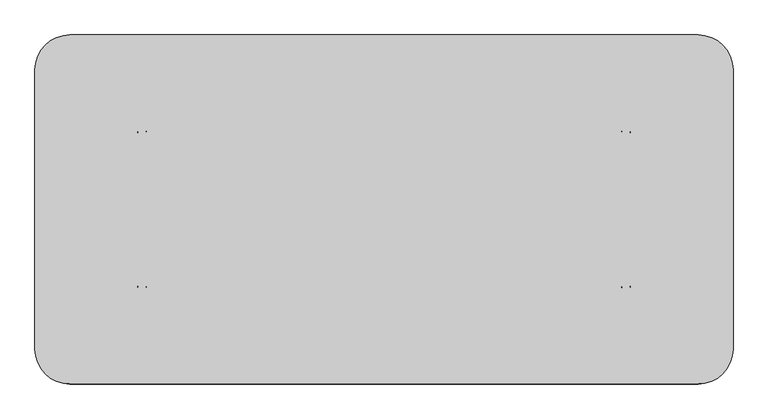
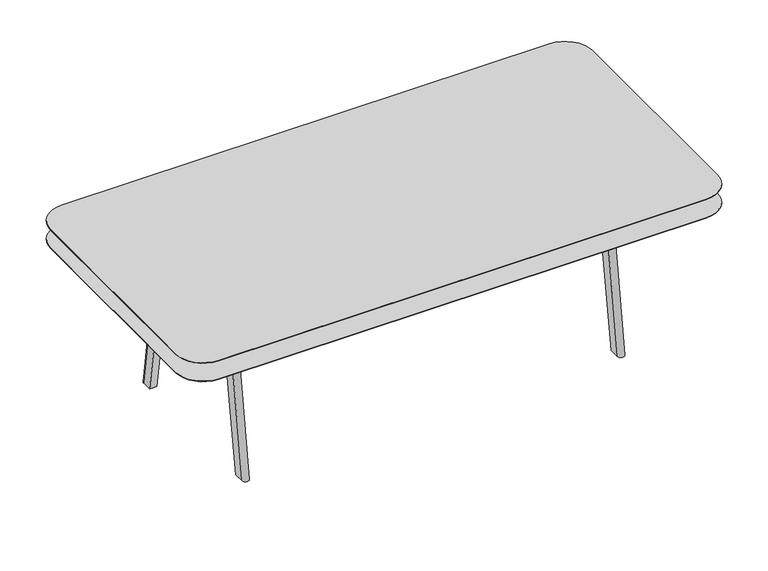
"""IFC4 building model written with IfcOpenShell, lengths in millimetres: furniture geometry."""

from ifc_helpers import new_model, si_unit, point, frame, frame_2d, origin, place, context, project, spatial, polyline, circle_curve, trimmed, segment, composite_curve, outline, extrude, source, transform, mapped, element, save
from ifc_brep_helpers import plane_surface, revolved_surface, extruded_surface, spline_surface, advanced_brep


def furniture_02903148(model_context):
    return source(origin(), model_context, "Body", "SolidModel", [
        extrude(outline(composite_curve([segment(trimmed(circle_curve(frame_2d((789.6860523, 1088.1700592)), 152.4), [point((789.6860523, 1240.5700592))], [point((942.0860523, 1088.1700592))], False, "CARTESIAN"), True, "CONTINUOUS"), segment(polyline([(942.0860523, 1088.1700592), (942.0860523, -131.0299408)]), True, "CONTINUOUS"), segment(trimmed(circle_curve(frame_2d((789.6860523, -131.0299408)), 152.4), [point((942.0860523, -131.0299408))], [point((789.6860523, -283.4299408))], False, "CARTESIAN"), True, "CONTINUOUS"), segment(polyline([(789.6860523, -283.4299408), (-1953.5139477, -283.4299408)]), True, "CONTINUOUS"), segment(trimmed(circle_curve(frame_2d((-1953.5139477, -131.0299408)), 152.4), [point((-1953.5139477, -283.4299408))], [point((-2105.9139477, -131.0299408))], False, "CARTESIAN"), True, "CONTINUOUS"), segment(polyline([(-2105.9139477, -131.0299408), (-2105.9139477, 1088.1700592)]), True, "CONTINUOUS"), segment(trimmed(circle_curve(frame_2d((-1953.5139477, 1088.1700592)), 152.4), [point((-2105.9139477, 1088.1700592))], [point((-1953.5139477, 1240.5700592))], False, "CARTESIAN"), True, "CONTINUOUS"), segment(polyline([(-1953.5139477, 1240.5700592), (789.6860523, 1240.5700592)]), True, "CONTINUOUS")], self_intersect=False)), frame((0.0, 0.0, 878.1216427), z_axis=(0.0, 0.0, 1.0), x_axis=(1.0, 0.0, 0.0)), (0.0, 0.0, 1.0), 3.175),
        extrude(outline(composite_curve([segment(trimmed(circle_curve(frame_2d((789.6860523, 1088.1700592)), 152.4), [point((789.6860523, 1240.5700592))], [point((942.0860523, 1088.1700592))], False, "CARTESIAN"), True, "CONTINUOUS"), segment(polyline([(942.0860523, 1088.1700592), (942.0860523, -131.0299408)]), True, "CONTINUOUS"), segment(trimmed(circle_curve(frame_2d((789.6860523, -131.0299408)), 152.4), [point((942.0860523, -131.0299408))], [point((789.6860523, -283.4299408))], False, "CARTESIAN"), True, "CONTINUOUS"), segment(polyline([(789.6860523, -283.4299408), (-1953.5139477, -283.4299408)]), True, "CONTINUOUS"), segment(trimmed(circle_curve(frame_2d((-1953.5139477, -131.0299408)), 152.4), [point((-1953.5139477, -283.4299408))], [point((-2105.9139477, -131.0299408))], False, "CARTESIAN"), True, "CONTINUOUS"), segment(polyline([(-2105.9139477, -131.0299408), (-2105.9139477, 1088.1700592)]), True, "CONTINUOUS"), segment(trimmed(circle_curve(frame_2d((-1953.5139477, 1088.1700592)), 152.4), [point((-2105.9139477, 1088.1700592))], [point((-1953.5139477, 1240.5700592))], False, "CARTESIAN"), True, "CONTINUOUS"), segment(polyline([(-1953.5139477, 1240.5700592), (789.6860523, 1240.5700592)]), True, "CONTINUOUS")], self_intersect=False)), frame((0.0, 0.0, 987.9563894), z_axis=(0.0, 0.0, 1.0), x_axis=(1.0, 0.0, 0.0)), (0.0, 0.0, 1.0), 2.6436106),
        advanced_brep(
        [(789.686016, 1240.5700592, 987.9563894), (-408.1414617, 1240.5700592, 987.9563894), (-1951.2279438, 1240.5700592, 987.9563894), (-2105.9139477, 1085.8840553, 987.9563894), (-2105.9139477, -131.0299408, 987.9563894), (-1953.5139477, -283.4299408, 987.9563894), (-408.1414617, -283.4299408, 987.9563894), (789.7088442, -283.4299408, 987.9563894), (942.0860523, -131.0527327, 987.9563894), (942.0860523, 438.4859882, 987.9563894), (942.0860523, 823.4541302, 987.9563894), (942.0860523, 1088.1700229, 987.9563894), (789.686016, 1189.7700592, 967.1357346), (891.2860523, 1088.1700229, 967.1357346), (891.2860523, 1019.898828, 967.1357346), (891.2860523, 460.7920856, 967.1357346), (891.2860523, -131.0299166, 967.1357346), (789.6860523, -232.6299166, 967.1357346), (-427.9413185, -232.6299166, 967.1357346), (-1951.2279438, -232.6299166, 967.1357346), (-2052.8279438, -131.0299166, 967.1357346), (-2052.8279438, 1088.1700592, 967.1357346), (-1951.2279438, 1189.7700592, 967.1357346)],
        [
            (0, 1),
            (1, 2),
            (2, 3, circle_curve(frame((-1951.2279438, 1085.8840553, 987.9563894), z_axis=(0.0, 0.0, 1.0), x_axis=(0.0, -1.0, 0.0)), 154.6860039)),
            (3, 4),
            (4, 5, circle_curve(frame((-1953.5139477, -131.0299408, 987.9563894), z_axis=(0.0, 0.0, 1.0), x_axis=(0.0, -1.0, 0.0)), 152.4)),
            (5, 6),
            (6, 7),
            (7, 8, circle_curve(frame((789.7088442, -131.0527327, 987.9563894), z_axis=(0.0, 0.0, 1.0), x_axis=(0.0, -1.0, 0.0)), 152.3772081)),
            (8, 9),
            (9, 10),
            (10, 11),
            (11, 0, circle_curve(frame((789.686016, 1088.1700229, 987.9563894), z_axis=(3.0815494413464367e-12, -4.927878642490715e-12, 1.0), x_axis=(1.0, 0.0, -3.0815236183479727e-12)), 152.4000363)),
            (12, 13, circle_curve(frame((789.686016, 1088.1700229, 967.1357346), z_axis=(-3.0815494413464367e-12, 4.927878642490715e-12, -1.0), x_axis=(1.0, 0.0, -3.0815236183479727e-12)), 101.6000363)),
            (13, 14),
            (14, 15),
            (15, 16),
            (16, 17, circle_curve(frame((789.6860523, -131.0299166, 967.1357346), z_axis=(0.0, 0.0, -1.0), x_axis=(0.0, -1.0, 0.0)), 101.6)),
            (17, 18),
            (18, 19),
            (19, 20, circle_curve(frame((-1951.2279438, -131.0299166, 967.1357346), z_axis=(0.0, 0.0, -1.0), x_axis=(0.0, -1.0, 0.0)), 101.6)),
            (20, 21),
            (21, 22, circle_curve(frame((-1951.2279438, 1088.1700592, 967.1357346), z_axis=(0.0, 0.0, -1.0), x_axis=(0.0, -1.0, 0.0)), 101.6)),
            (22, 12),
            (22, 2),
            (1, 12),
            (21, 3),
            (20, 4),
            (19, 5),
            (18, 6),
            (14, 10),
            (9, 15),
            (17, 7),
            (16, 8),
            (13, 11),
            (12, 0),
        ],
        [
            plane_surface(frame((-298.7594701, 503.7776565, 987.9563894), z_axis=(0.0, 0.0, 1.0), x_axis=(-1.0, 0.0, 0.0))),
            plane_surface(frame((-299.2306196, 461.5110483, 967.1357346), z_axis=(0.0, 0.0, -1.0), x_axis=(-1.0, 0.0, 0.0))),
            plane_surface(frame((-580.7709639, 1189.7700592, 967.1357346), z_axis=(0.0, 0.3792387434874415, -0.9252988573634285), x_axis=(-1.0, 0.0, 0.0))),
            spline_surface(2, 1, [[(-1951.2279438, 1189.7700592, 967.1357346), (-1951.2279438, 1240.5700592, 987.9563894)], [(-2052.8279438, 1189.7700592000003, 967.1357346), (-2105.9139477, 1240.5700592000003, 987.9563894)], [(-2052.8279438, 1088.1700592, 967.1357346), (-2105.9139477, 1085.8840553, 987.9563894)]], [3, 3], [2, 2], [0.0, 1.0], [0.0, 1.0], weights=[[1.0, 1.0], [0.707106781186547, 0.707106781186547], [1.0, 1.0]]),
            plane_surface(frame((-2052.8279438, 478.5700713, 967.1357346), z_axis=(-0.3651272616952556, 0.0, -0.930957615988464), x_axis=(0.0, -1.0, 0.0))),
            spline_surface(2, 1, [[(-2052.8279438, -131.0299166, 967.1357346), (-2105.9139477, -131.0299408, 987.9563894)], [(-2052.8279438, -232.62991659999992, 967.1357346), (-2105.9139477, -283.4299407999998, 987.9563894)], [(-1951.2279438, -232.6299166, 967.1357346), (-1953.5139477, -283.4299408, 987.9563894)]], [3, 3], [2, 2], [0.0, 1.0], [0.0, 1.0], weights=[[1.0, 1.0], [0.7071067811865478, 0.7071067811865478], [1.0, 1.0]]),
            plane_surface(frame((-1189.5846311, -232.6299166, 967.1357346), z_axis=(0.0, -0.37923858865960286, -0.9252989208204409), x_axis=(1.0, 0.0, 0.0))),
            plane_surface(frame((891.2860523, 740.3454568, 967.1357346), z_axis=(0.3792387434863428, 0.0, -0.925298857363879), x_axis=(0.0, 1.0, 0.0))),
            plane_surface(frame((180.8723669, -232.6299166, 967.1357346), z_axis=(0.0, -0.3792385886595956, -0.925298920820444), x_axis=(1.0, 0.0, 0.0))),
            spline_surface(2, 1, [[(789.6860523, -232.6299166, 967.1357346), (789.7088442, -283.4299408, 987.9563894)], [(891.2860523, -232.62991660000003, 967.1357346), (942.0860523, -283.42994080000005, 987.9563894)], [(891.2860523, -131.0299166, 967.1357346), (942.0860523, -131.0527327, 987.9563894)]], [3, 3], [2, 2], [0.0, 1.0], [0.0, 1.0], weights=[[1.0, 1.0], [0.7071067811865475, 0.7071067811865475], [1.0, 1.0]]),
            plane_surface(frame((891.2860523, 164.8810845, 967.1357346), z_axis=(0.3792387434863428, 0.0, -0.925298857363879), x_axis=(0.0, 1.0, 0.0))),
            plane_surface(frame((891.2860523, 1054.0344255, 967.1357346), z_axis=(0.3792387434863428, 0.0, -0.925298857363879), x_axis=(0.0, 1.0, 0.0))),
            revolved_surface(polyline([(789.686016, 1189.7700593807535, 967.1357346), (789.686016, 1240.5700592029782, 987.9563894012207)]), (789.686016, 1088.1700229, 925.4944099), (3.0815494413464367e-12, -4.927878642490715e-12, 1.0)),
            plane_surface(frame((789.686016, 1189.7700592, 967.1357346), z_axis=(0.0, 0.379238743487408, -0.9252988573634423), x_axis=(-1.0, 0.0, 0.0))),
        ],
        [
            (0, [[1, 2, 3, 4, 5, 6, 7, 8, 9, 10, 11, 12]]),
            (1, [[13, 14, 15, 16, 17, 18, 19, 20, 21, 22, 23]]),
            (2, [[-23, 24, -2, 25]]),
            (3, [[-22, 26, -3, -24]]),
            (4, [[-21, 27, -4, -26]]),
            (5, [[-20, 28, -5, -27]]),
            (6, [[-19, 29, -6, -28]]),
            (7, [[-15, 30, -10, 31]]),
            (8, [[-18, 32, -7, -29]]),
            (9, [[-17, 33, -8, -32]]),
            (10, [[-16, -31, -9, -33]]),
            (11, [[-14, 34, -11, -30]]),
            (12, [[-13, 35, -12, -34]]),
            (13, [[-1, -35, -25]]),
        ],
    ),
        advanced_brep(
        [(-1657.9827564, 812.8563452, 967.1357346), (-1657.9827564, 746.7341595, 967.1357346), (-1618.6841881, 746.7341595, 967.1357346), (-1618.6841881, 812.8563452, 967.1357346), (-1657.9827564, 956.7201704, 0.0), (-1618.6841881, 956.7201704, 0.0), (-1618.6841881, 899.4854099, 0.0), (-1657.9827564, 899.4854099, 0.0)],
        [
            (0, 1),
            (1, 2),
            (2, 3),
            (3, 0, circle_curve(frame((-1638.3334722, 812.8563452, 967.1357346), z_axis=(0.0, 0.0, 1.0), x_axis=(0.0, -1.0, 0.0)), 19.6492841)),
            (4, 5, circle_curve(frame((-1638.3334722, 956.7201704, 0.0), z_axis=(0.0, 0.0, -1.0), x_axis=(0.0, -1.0, 0.0)), 19.6492841)),
            (5, 6),
            (6, 7),
            (7, 4),
            (4, 0),
            (3, 5),
            (2, 6),
            (1, 7),
        ],
        [
            plane_surface(frame((-1638.3334722, 779.7952524, 967.1357346), z_axis=(0.0, 0.0, 1.0), x_axis=(0.0, -1.0, 0.0))),
            plane_surface(frame((-1638.3334722, 928.1027901, 0.0), z_axis=(0.0, 0.0, -1.0), x_axis=(0.0, -1.0, 0.0))),
            extruded_surface(trimmed(circle_curve(frame((-1638.3334722, 956.7201704, 0.0), z_axis=(0.0, 0.0, 1.0), x_axis=(0.0, -1.0, 0.0)), 19.6492841), [point((-1618.6841881, 956.7201704, 0.0))], [point((-1657.9827564, 956.7201704, 0.0))], True, "CARTESIAN"), (0.0, -143.86382520000006, 967.1357346), 977.7772391201678),
            plane_surface(frame((-1618.6841881, 928.1027901, 0.0), z_axis=(1.0, 0.0, 0.0), x_axis=(0.0, 1.0, 0.0))),
            plane_surface(frame((-1638.3334722, 899.4854099, 0.0), z_axis=(0.0, -0.987755788374589, -0.15600802073128878), x_axis=(1.0, 0.0, 0.0))),
            plane_surface(frame((-1657.9827564, 928.1027901, 0.0), z_axis=(-1.0, 0.0, 0.0), x_axis=(0.0, -1.0, 0.0))),
        ],
        [
            (0, [[1, 2, 3, 4]]),
            (1, [[5, 6, 7, 8]]),
            (2, [[-5, 9, -4, 10]]),
            (3, [[-6, -10, -3, 11]]),
            (4, [[-7, -11, -2, 12]]),
            (5, [[-8, -12, -1, -9]]),
        ],
    ),
        advanced_brep(
        [(-1657.9827564, 144.2837732, 967.1357346), (-1618.6841881, 144.2837732, 967.1357346), (-1618.6841881, 210.4060249, 967.1357346), (-1657.9827564, 210.4060249, 967.1357346), (-1657.9827564, 0.4199481, 0.0), (-1657.9827564, 57.6547085, 0.0), (-1618.6841881, 57.6547085, 0.0), (-1618.6841881, 0.4199481, 0.0)],
        [
            (0, 1, circle_curve(frame((-1638.3334722, 144.2837732, 967.1357346), z_axis=(0.0, 0.0, 1.0), x_axis=(0.0, -1.0, 0.0)), 19.6492841)),
            (1, 2),
            (2, 3),
            (3, 0),
            (4, 5),
            (5, 6),
            (6, 7),
            (7, 4, circle_curve(frame((-1638.3334722, 0.4199481, 0.0), z_axis=(0.0, 0.0, -1.0), x_axis=(0.0, -1.0, 0.0)), 19.6492841)),
            (7, 1),
            (0, 4),
            (6, 2),
            (5, 3),
        ],
        [
            plane_surface(frame((-1638.3334722, 177.3448991, 967.1357346), z_axis=(0.0, 0.0, 1.0), x_axis=(0.0, -1.0, 0.0))),
            plane_surface(frame((-1638.3334722, 29.0373283, 0.0), z_axis=(0.0, 0.0, -1.0), x_axis=(0.0, -1.0, 0.0))),
            extruded_surface(trimmed(circle_curve(frame((-1638.3334722, 0.4199481, 0.0), z_axis=(0.0, 0.0, 1.0), x_axis=(0.0, -1.0, 0.0)), 19.6492841), [point((-1657.9827564, 0.4199481, 0.0))], [point((-1618.6841881, 0.4199481, 0.0))], True, "CARTESIAN"), (0.0, 143.8638251, 967.1357346), 977.7772391054544),
            plane_surface(frame((-1618.6841881, 29.0373283, 0.0), z_axis=(1.0, 0.0, 0.0), x_axis=(0.0, 1.0, 0.0))),
            plane_surface(frame((-1638.3334722, 57.6547085, 0.0), z_axis=(0.0, 0.9877557779905404, -0.15600808647727984), x_axis=(-1.0, 0.0, 0.0))),
            plane_surface(frame((-1657.9827564, 29.0373283, 0.0), z_axis=(-1.0, 0.0, 0.0), x_axis=(0.0, -1.0, 0.0))),
        ],
        [
            (0, [[1, 2, 3, 4]]),
            (1, [[5, 6, 7, 8]]),
            (2, [[-8, 9, -1, 10]]),
            (3, [[-7, 11, -2, -9]]),
            (4, [[-6, 12, -3, -11]]),
            (5, [[-5, -10, -4, -12]]),
        ],
    ),
        advanced_brep(
        [(494.154861, 812.8563452, 967.1357346), (454.7836087, 812.8563452, 967.1357346), (454.7836087, 746.7341595, 967.1357346), (494.154861, 746.7341595, 967.1357346), (494.154861, 956.7201704, 0.0), (494.154861, 899.4854099, 0.0), (454.7836087, 899.4854099, 0.0), (454.7836087, 956.7201704, 0.0)],
        [
            (0, 1, circle_curve(frame((474.4692348, 812.8563452, 967.1357346), z_axis=(0.0, 0.0, 1.0), x_axis=(0.0, 1.0, 0.0)), 19.6856262)),
            (1, 2),
            (2, 3),
            (3, 0),
            (4, 5),
            (5, 6),
            (6, 7),
            (7, 4, circle_curve(frame((474.4692348, 956.7201704, 0.0), z_axis=(0.0, 0.0, -1.0), x_axis=(0.0, 1.0, 0.0)), 19.6856262)),
            (7, 1),
            (0, 4),
            (6, 2),
            (5, 3),
        ],
        [
            plane_surface(frame((474.4692348, 779.7952524, 967.1357346), z_axis=(0.0, 0.0, 1.0), x_axis=(0.0, 1.0, 0.0))),
            plane_surface(frame((474.4692348, 928.1027901, 0.0), z_axis=(0.0, 0.0, -1.0), x_axis=(0.0, 1.0, 0.0))),
            extruded_surface(trimmed(circle_curve(frame((474.4692348, 956.7201704, 0.0), z_axis=(0.0, 0.0, 1.0), x_axis=(0.0, 1.0, 0.0)), 19.6856262), [point((494.154861, 956.7201704, 0.0))], [point((454.7836087, 956.7201704, 0.0))], True, "CARTESIAN"), (0.0, -143.86382520000006, 967.1357346), 977.7772391201678),
            plane_surface(frame((454.7836087, 928.1027901, 0.0), z_axis=(-1.0, 0.0, 0.0), x_axis=(0.0, -1.0, 0.0))),
            plane_surface(frame((474.4692348, 899.4854099, 0.0), z_axis=(0.0, -0.9877557883745888, -0.15600802073129058), x_axis=(1.0, 0.0, 0.0))),
            plane_surface(frame((494.154861, 928.1027901, 0.0), z_axis=(1.0, 0.0, 0.0), x_axis=(0.0, 1.0, 0.0))),
        ],
        [
            (0, [[1, 2, 3, 4]]),
            (1, [[5, 6, 7, 8]]),
            (2, [[-8, 9, -1, 10]]),
            (3, [[-7, 11, -2, -9]]),
            (4, [[-6, 12, -3, -11]]),
            (5, [[-5, -10, -4, -12]]),
        ],
    ),
        extrude(outline(polyline([(445.2873793, 270.4008185), (445.2873793, 210.4060249), (-1612.1126207, 210.4060249), (-1612.1126207, 270.4008185), (445.2873793, 270.4008185)])), frame((0.0, 0.0, 881.2966427), z_axis=(0.0, 0.0, 1.0), x_axis=(1.0, 0.0, 0.0)), (0.0, 0.0, 1.0), 85.8390919),
        extrude(outline(polyline([(445.2873793, 746.7341595), (445.2873793, 704.3252656), (-1612.1126207, 704.3252656), (-1612.1126207, 746.7341595), (445.2873793, 746.7341595)])), frame((0.0, 0.0, 881.2966427), z_axis=(0.0, 0.0, 1.0), x_axis=(1.0, 0.0, 0.0)), (0.0, 0.0, 1.0), 85.8390919),
        advanced_brep(
        [(494.154861, 144.2837732, 967.1357346), (494.154861, 210.4060249, 967.1357346), (454.7836087, 210.4060249, 967.1357346), (454.7836087, 144.2837732, 967.1357346), (494.154861, 0.4199481, 0.0), (454.7836087, 0.4199481, 0.0), (454.7836087, 57.6547085, 0.0), (494.154861, 57.6547085, 0.0)],
        [
            (0, 1),
            (1, 2),
            (2, 3),
            (3, 0, circle_curve(frame((474.4692348, 144.2837732, 967.1357346), z_axis=(0.0, 0.0, 1.0), x_axis=(0.0, 1.0, 0.0)), 19.6856262)),
            (4, 5, circle_curve(frame((474.4692348, 0.4199481, 0.0), z_axis=(0.0, 0.0, -1.0), x_axis=(0.0, 1.0, 0.0)), 19.6856262)),
            (5, 6),
            (6, 7),
            (7, 4),
            (4, 0),
            (3, 5),
            (2, 6),
            (1, 7),
        ],
        [
            plane_surface(frame((474.4692348, 177.3448991, 967.1357346), z_axis=(0.0, 0.0, 1.0), x_axis=(0.0, 1.0, 0.0))),
            plane_surface(frame((474.4692348, 29.0373283, 0.0), z_axis=(0.0, 0.0, -1.0), x_axis=(0.0, 1.0, 0.0))),
            extruded_surface(trimmed(circle_curve(frame((474.4692348, 0.4199481, 0.0), z_axis=(0.0, 0.0, 1.0), x_axis=(0.0, 1.0, 0.0)), 19.6856262), [point((454.7836087, 0.4199481, 0.0))], [point((494.154861, 0.4199481, 0.0))], True, "CARTESIAN"), (0.0, 143.8638251, 967.1357346), 977.7772391054544),
            plane_surface(frame((454.7836087, 29.0373283, 0.0), z_axis=(-1.0, 0.0, 0.0), x_axis=(0.0, -1.0, 0.0))),
            plane_surface(frame((474.4692348, 57.6547085, 0.0), z_axis=(0.0, 0.9877557779905424, -0.1560080864772668), x_axis=(-1.0, 0.0, 0.0))),
            plane_surface(frame((494.154861, 29.0373283, 0.0), z_axis=(1.0, 0.0, 0.0), x_axis=(0.0, 1.0, 0.0))),
        ],
        [
            (0, [[1, 2, 3, 4]]),
            (1, [[5, 6, 7, 8]]),
            (2, [[-5, 9, -4, 10]]),
            (3, [[-6, -10, -3, 11]]),
            (4, [[-7, -11, -2, 12]]),
            (5, [[-8, -12, -1, -9]]),
        ],
    ),
        extrude(outline(polyline([(494.154861, 210.4060249), (445.2873793, 210.4060249), (445.2873793, 764.3200592), (494.154861, 764.3200592), (494.154861, 210.4060249)])), frame((0.0, 0.0, 881.2966427), z_axis=(0.0, 0.0, 1.0), x_axis=(1.0, 0.0, 0.0)), (0.0, 0.0, 1.0), 85.8390919),
        extrude(outline(polyline([(-1612.1126207, 210.4060249), (-1657.9827564, 210.4060249), (-1657.9827564, 764.3200592), (-1612.1126207, 764.3200592), (-1612.1126207, 210.4060249)])), frame((0.0, 0.0, 881.2966427), z_axis=(0.0, 0.0, 1.0), x_axis=(1.0, 0.0, 0.0)), (0.0, 0.0, 1.0), 85.8390919),
    ])


if __name__ == "__main__":
    model = new_model("IFC4")
    model_context = context("Model", 3, world=origin())
    ifc_project = project(units=[si_unit("LENGTHUNIT", "METRE", prefix="MILLI")], contexts=[model_context])
    site = spatial("IfcSite", under=ifc_project)
    building = spatial("IfcBuilding", under=site)
    placement = place(None, origin())
    furniture_shape = furniture_02903148(model_context)
    element("IfcFurniture", 1, at=placement, inside=building, context=model_context, shape_type="MappedRepresentation", body=[
        mapped(furniture_shape, transform((0.0, 0.0, 0.0), x_axis=(1.0, 0.0, 0.0), y_axis=(0.0, 1.0, 0.0), z_axis=(0.0, 0.0, 1.0))),
    ])
    save(model, "model.ifc")
